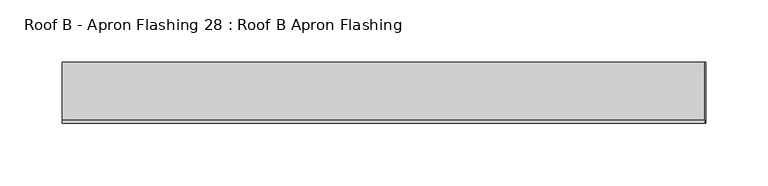
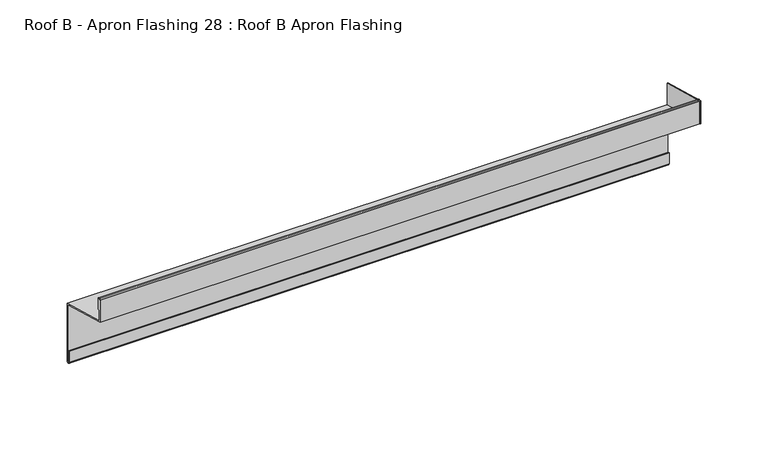
"""IFC4 building model written with IfcOpenShell, lengths in millimetres: proxy geometry, Roof B - Apron Flashing 28 : Roof B Apron Flashing."""

from ifc_helpers import new_model, si_unit, point, frame, frame_2d, origin, place, context, project, spatial, polyline, circle_curve, trimmed, segment, composite_curve, outline, extrude, source, transform, mapped, element, save


def roof_b_apron_flashing_28_roof_b_apron_flashing_0a69f2c9(model_context):
    return source(origin(), model_context, "Body", "SweptSolid", [
        extrude(outline(polyline([(10608.0490096, -873.6339834), (10608.0490096, -853.130654), (10656.8026399, -866.1941499), (10656.8026399, -886.6974792), (10608.0490096, -873.6339834)])), frame((12282.4791786, 0.0, 0.0), z_axis=(1.0, 0.0, 0.0), x_axis=(0.0, 1.0, 0.0)), (0.0, 0.0, 1.0), 0.8428395),
        extrude(outline(composite_curve([segment(polyline([(10656.8026399, -885.662203), (10656.8026399, -937.6563748)]), True, "CONTINUOUS"), segment(trimmed(circle_curve(frame_2d((10655.3026399, -937.6563748)), 1.5), [point((10656.8026399, -937.6563748))], [point((10653.8026399, -937.6563748))], False, "CARTESIAN"), True, "CONTINUOUS"), segment(polyline([(10653.8026399, -937.6563748), (10653.8026399, -927.6933761), (10654.8026399, -927.6933761), (10654.8026399, -937.6563748)]), True, "CONTINUOUS"), segment(trimmed(circle_curve(frame_2d((10655.3026399, -937.6563748)), 0.5), [point((10654.8026399, -937.6563748))], [point((10655.8026399, -937.6563748))], True, "CARTESIAN"), True, "CONTINUOUS"), segment(polyline([(10655.8026399, -937.6563748), (10655.8026399, -886.42953), (10608.0490096, -873.6339834), (10608.0490096, -853.3538686)]), True, "CONTINUOUS"), segment(trimmed(circle_curve(frame_2d((10609.2990096, -853.3538686)), 1.25), [point((10608.0490096, -853.3538686))], [point((10610.5490096, -853.3538686))], False, "CARTESIAN"), True, "CONTINUOUS"), segment(polyline([(10610.5490096, -853.3538686), (10610.5490096, -862.6360034)]), True, "CONTINUOUS"), segment(trimmed(circle_curve(frame_2d((10610.0490096, -862.6360034)), 0.5), [point((10610.5490096, -862.6360034))], [point((10609.5490096, -862.6360034))], False, "CARTESIAN"), True, "CONTINUOUS"), segment(polyline([(10609.5490096, -862.6360034), (10609.5490096, -853.3538686)]), True, "CONTINUOUS"), segment(trimmed(circle_curve(frame_2d((10609.2990096, -853.3538686)), 0.25), [point((10609.5490096, -853.3538686))], [point((10609.0490096, -853.3538686))], True, "CARTESIAN"), True, "CONTINUOUS"), segment(polyline([(10609.0490096, -853.3538686), (10609.0490096, -872.8666564), (10656.8026399, -885.662203)]), True, "CONTINUOUS")], self_intersect=False)), frame((11767.4791786, 0.0, 0.0), z_axis=(1.0, 0.0, 0.0), x_axis=(0.0, 1.0, 0.0)), (0.0, 0.0, 1.0), 515.0),
    ])


if __name__ == "__main__":
    model = new_model("IFC4")
    model_context = context("Model", 3, world=origin())
    ifc_project = project(units=[si_unit("LENGTHUNIT", "METRE", prefix="MILLI")], contexts=[model_context])
    site = spatial("IfcSite", under=ifc_project)
    building = spatial("IfcBuilding", under=site)
    placement = place(None, origin())
    roof_b_apron_flashing_28_roof_b_apron_flashing_shape = roof_b_apron_flashing_28_roof_b_apron_flashing_0a69f2c9(model_context)
    element("IfcBuildingElementProxy", 1, Name="Roof B - Apron Flashing 28 : Roof B Apron Flashing", ObjectType="Roof B - Apron Flashing 28 : Roof B Apron Flashing", at=placement, inside=building, context=model_context, shape_type="MappedRepresentation", body=[
        mapped(roof_b_apron_flashing_28_roof_b_apron_flashing_shape, transform((0.0, 0.0, 0.0), x_axis=(1.0, 0.0, 0.0), y_axis=(0.0, 1.0, 0.0), z_axis=(0.0, 0.0, 1.0))),
    ])
    save(model, "model.ifc")
